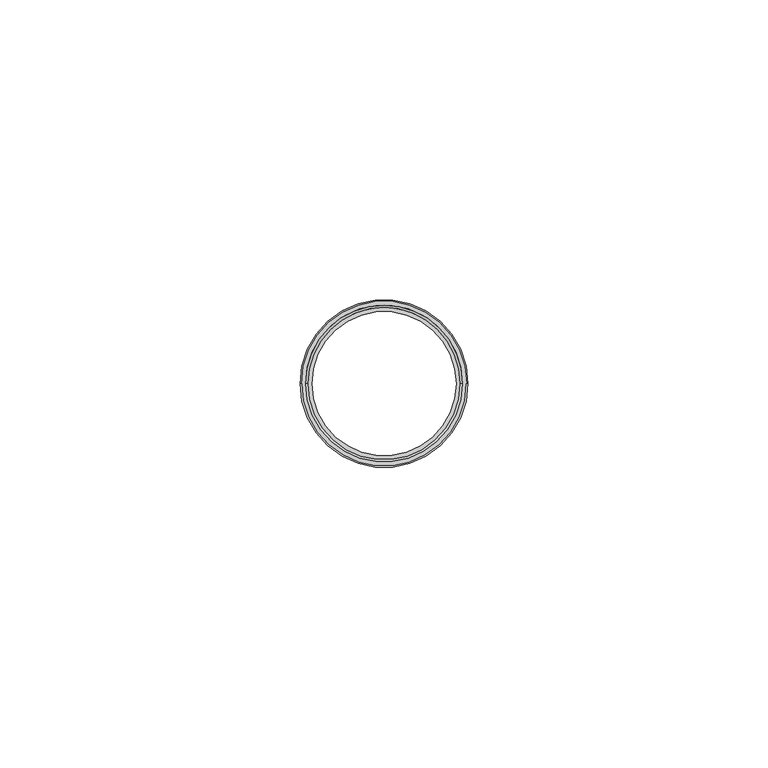
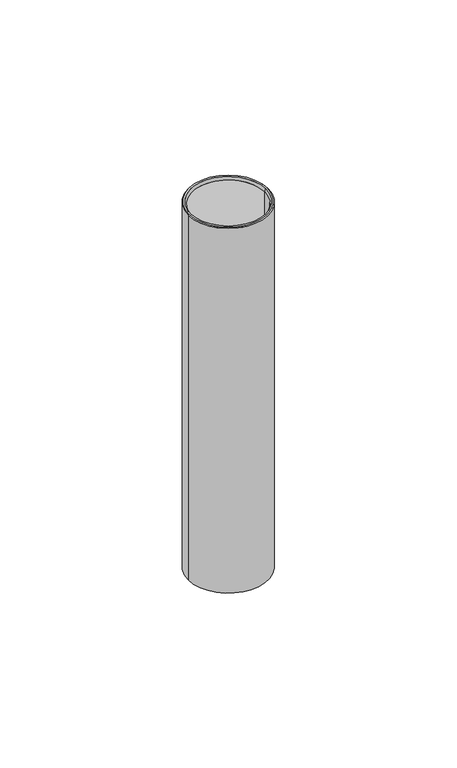
"""IFC4 building model written with IfcOpenShell, lengths in millimetres: proxy geometry."""

from ifc_helpers import new_model, si_unit, frame, origin, place, context, project, spatial, polyline, circle_curve, source, transform, mapped, element, save
from ifc_brep_helpers import plane_surface, cylinder_surface, revolved_surface, advanced_brep


def generic_models_4ab74556(model_context):
    return source(origin(), model_context, "Body", "AdvancedBrep", [
        advanced_brep(
        [(-12.0, 0.0, 115.0), (-12.0, 0.0, 24.5), (12.0, 0.0, 24.5), (12.0, 0.0, 115.0), (13.5, 0.0, 0.0), (13.5, 0.0, 1.3), (-13.5, 0.0, 1.3), (-13.5, 0.0, 0.0), (12.5, 0.0, 2.3), (-12.5, 0.0, 2.3), (12.5, 0.0, 24.0), (-12.5, 0.0, 24.0), (-14.0, 0.0, 0.0), (-14.0, 0.0, 134.75), (14.0, 0.0, 134.75), (14.0, 0.0, 0.0), (-13.75, 0.0, 135.0), (13.75, 0.0, 135.0), (-12.7, 0.0, 115.0), (-12.7, 0.0, 134.0), (12.7, 0.0, 134.0), (12.7, 0.0, 115.0), (-13.0639702, 0.0, 135.0), (13.0639702, 0.0, 135.0)],
        [
            (0, 1),
            (1, 2, circle_curve(frame((0.0, 0.0, 24.5), z_axis=(0.0, 0.0, -1.0), x_axis=(-1.0, 0.0, 0.0)), 12.0)),
            (2, 3),
            (3, 0, circle_curve(frame((0.0, 0.0, 115.0), z_axis=(0.0, 0.0, 1.0), x_axis=(-1.0, 0.0, 0.0)), 12.0)),
            (4, 5),
            (5, 6, circle_curve(frame((0.0, 0.0, 1.3), z_axis=(0.0, 0.0, 1.0), x_axis=(1.0, 0.0, 0.0)), 13.5)),
            (6, 7),
            (7, 4, circle_curve(frame((0.0, 0.0, 0.0), z_axis=(0.0, 0.0, -1.0), x_axis=(1.0, 0.0, 0.0)), 13.5)),
            (5, 8),
            (8, 9, circle_curve(frame((0.0, 0.0, 2.3), z_axis=(0.0, 0.0, 1.0), x_axis=(-1.0, 0.0, 0.0)), 12.5)),
            (9, 6),
            (8, 10),
            (10, 11, circle_curve(frame((0.0, 0.0, 24.0), z_axis=(0.0, 0.0, 1.0), x_axis=(1.0, 0.0, 0.0)), 12.5)),
            (11, 9),
            (10, 2),
            (1, 11),
            (12, 13),
            (13, 14, circle_curve(frame((0.0, 0.0, 134.75), z_axis=(0.0, 0.0, -1.0), x_axis=(-1.0, 0.0, 0.0)), 14.0)),
            (14, 15),
            (15, 12, circle_curve(frame((0.0, 0.0, 0.0), z_axis=(0.0, 0.0, 1.0), x_axis=(-1.0, 0.0, 0.0)), 14.0)),
            (16, 13),
            (13, 14, circle_curve(frame((0.0, 0.0, 134.75), z_axis=(0.0, 0.0, 1.0), x_axis=(1.0, 0.0, 0.0)), 14.0)),
            (14, 17),
            (17, 16, circle_curve(frame((0.0, 0.0, 135.0), z_axis=(0.0, 0.0, -1.0), x_axis=(1.0, 0.0, 0.0)), 13.75)),
            (18, 19),
            (19, 20, circle_curve(frame((0.0, 0.0, 134.0), z_axis=(0.0, 0.0, 1.0), x_axis=(-1.0, 0.0, 0.0)), 12.7)),
            (20, 21),
            (21, 18, circle_curve(frame((0.0, 0.0, 115.0), z_axis=(0.0, 0.0, -1.0), x_axis=(-1.0, 0.0, 0.0)), 12.7)),
            (19, 22),
            (22, 23, circle_curve(frame((0.0, 0.0, 135.0), z_axis=(0.0, 0.0, 1.0), x_axis=(-1.0, 0.0, 0.0)), 13.0639702)),
            (23, 20),
            (19, 20, circle_curve(frame((0.0, 0.0, 134.0), z_axis=(0.0, 0.0, -1.0), x_axis=(1.0, 0.0, 0.0)), 12.7)),
            (23, 22, circle_curve(frame((0.0, 0.0, 135.0), z_axis=(0.0, 0.0, 1.0), x_axis=(1.0, 0.0, 0.0)), 13.0639702)),
            (17, 16, circle_curve(frame((0.0, 0.0, 135.0), z_axis=(0.0, 0.0, 1.0), x_axis=(-1.0, 0.0, 0.0)), 13.75)),
            (18, 21, circle_curve(frame((0.0, 0.0, 115.0), z_axis=(0.0, 0.0, -1.0), x_axis=(-1.0, 0.0, 0.0)), 12.7)),
            (12, 15, circle_curve(frame((0.0, 0.0, 0.0), z_axis=(0.0, 0.0, 1.0), x_axis=(-1.0, 0.0, 0.0)), 14.0)),
            (3, 0, circle_curve(frame((0.0, 0.0, 115.0), z_axis=(0.0, 0.0, -1.0), x_axis=(-1.0, 0.0, 0.0)), 12.0)),
            (10, 11, circle_curve(frame((0.0, 0.0, 24.0), z_axis=(0.0, 0.0, -1.0), x_axis=(1.0, 0.0, 0.0)), 12.5)),
            (1, 2, circle_curve(frame((0.0, 0.0, 24.5), z_axis=(0.0, 0.0, 1.0), x_axis=(1.0, 0.0, 0.0)), 12.0)),
            (8, 9, circle_curve(frame((0.0, 0.0, 2.3), z_axis=(0.0, 0.0, -1.0), x_axis=(1.0, 0.0, 0.0)), 12.5)),
            (5, 6, circle_curve(frame((0.0, 0.0, 1.3), z_axis=(0.0, 0.0, -1.0), x_axis=(1.0, 0.0, 0.0)), 13.5)),
            (4, 7, circle_curve(frame((0.0, 0.0, 0.0), z_axis=(0.0, 0.0, -1.0), x_axis=(1.0, 0.0, 0.0)), 13.5)),
        ],
        [
            revolved_surface(polyline([(-12.0, 0.0, 115.0), (-12.0, 0.0, 24.5)]), (0.0, 0.0, 0.0), (0.0, 0.0, 1.0)),
            revolved_surface(polyline([(13.5, 0.0, 0.0), (13.5, 0.0, 1.3)]), (0.0, 0.0, 0.65), (0.0, 0.0, -1.0)),
            revolved_surface(polyline([(13.5, 0.0, 1.3000000000000007), (12.5, 0.0, 2.3000000000000007)]), (0.0, 0.0, 14.8), (0.0, 0.0, -1.0)),
            revolved_surface(polyline([(12.5, 0.0, 2.299999999999999), (12.5, 0.0, 24.0)]), (0.0, 0.0, 13.15), (0.0, 0.0, -1.0)),
            revolved_surface(polyline([(12.5, 0.0, 24.0), (12.0, 0.0, 24.5)]), (0.0, 0.0, 36.5), (0.0, 0.0, -1.0)),
            cylinder_surface(frame((0.0, 0.0, 0.0), z_axis=(0.0, 0.0, 1.0), x_axis=(-1.0, 0.0, 0.0)), 14.0),
            revolved_surface(polyline([(-13.75, 0.0, 135.0), (-14.0, 0.0, 134.75)]), (0.0, 0.0, 148.75), (0.0, 0.0, -1.0)),
            revolved_surface(polyline([(-12.7, 0.0, 115.0), (-12.7, 0.0, 134.0)]), (0.0, 0.0, 135.0), (0.0, 0.0, -1.0)),
            revolved_surface(polyline([(-13.0639702, 0.0, 135.0), (-12.699999966413936, 0.0, 134.0)]), (0.0, 0.0, 99.1070368), (0.0, 0.0, 1.0)),
            plane_surface(frame((0.0, 0.0, 135.0), z_axis=(0.0, 0.0, 1.0), x_axis=(-1.0, 0.0, 0.0))),
            plane_surface(frame((0.0, 0.0, 115.0), z_axis=(0.0, 0.0, 1.0), x_axis=(-1.0, 0.0, 0.0))),
            plane_surface(frame((0.0, 0.0, 0.0), z_axis=(0.0, 0.0, -1.0), x_axis=(-1.0, 0.0, 0.0))),
        ],
        [
            (0, [[1, 2, 3, 4]]),
            (1, [[5, 6, 7, 8]]),
            (2, [[9, 10, 11, -6]]),
            (3, [[12, 13, 14, -10]]),
            (4, [[15, -2, 16, -13]]),
            (5, [[17, 18, 19, 20]]),
            (6, [[21, 22, 23, 24]]),
            (7, [[25, 26, 27, 28]]),
            (8, [[29, 30, 31, -26]]),
            (8, [[-29, 32, -31, 33]]),
            (9, [[-24, 34], [-33, -30]]),
            (7, [[-25, 35, -27, -32]]),
            (6, [[-21, -34, -23, -18]]),
            (5, [[-17, 36, -19, -22]]),
            (10, [[-35, -28], [-4, 37]]),
            (4, [[-15, 38, -16, 39]]),
            (3, [[-12, 40, -14, -38]]),
            (2, [[-9, 41, -11, -40]]),
            (1, [[-5, 42, -7, -41]]),
            (0, [[-1, -37, -3, -39]]),
            (11, [[-36, -20], [-8, -42]]),
        ],
    ),
    ])


if __name__ == "__main__":
    model = new_model("IFC4")
    model_context = context("Model", 3, world=origin())
    ifc_project = project(units=[si_unit("LENGTHUNIT", "METRE", prefix="MILLI")], contexts=[model_context])
    site = spatial("IfcSite", under=ifc_project)
    building = spatial("IfcBuilding", under=site)
    placement = place(None, origin())
    generic_models_shape = generic_models_4ab74556(model_context)
    element("IfcBuildingElementProxy", 1, Name="Generic Models", at=placement, inside=building, context=model_context, shape_type="MappedRepresentation", body=[
        mapped(generic_models_shape, transform((0.0, 0.0, 0.0), x_axis=(1.0, 0.0, 0.0), y_axis=(0.0, 1.0, 0.0), z_axis=(0.0, 0.0, 1.0))),
    ])
    save(model, "model.ifc")
